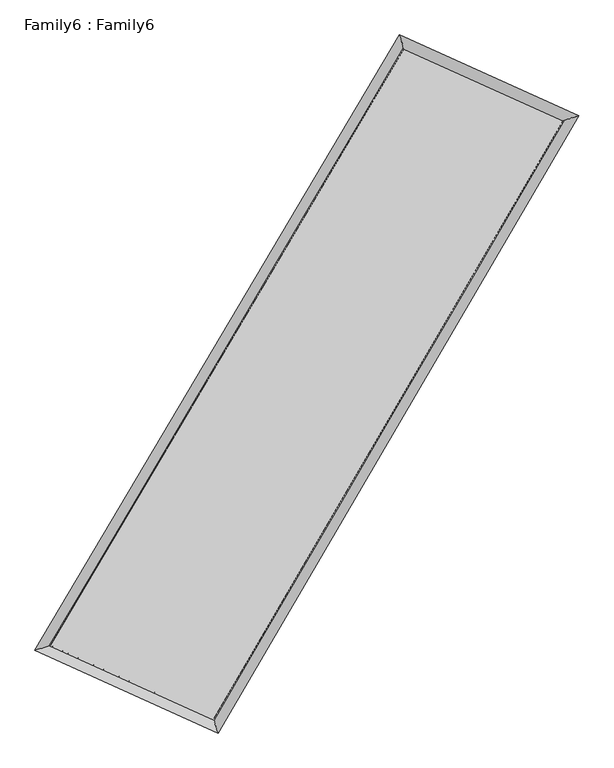
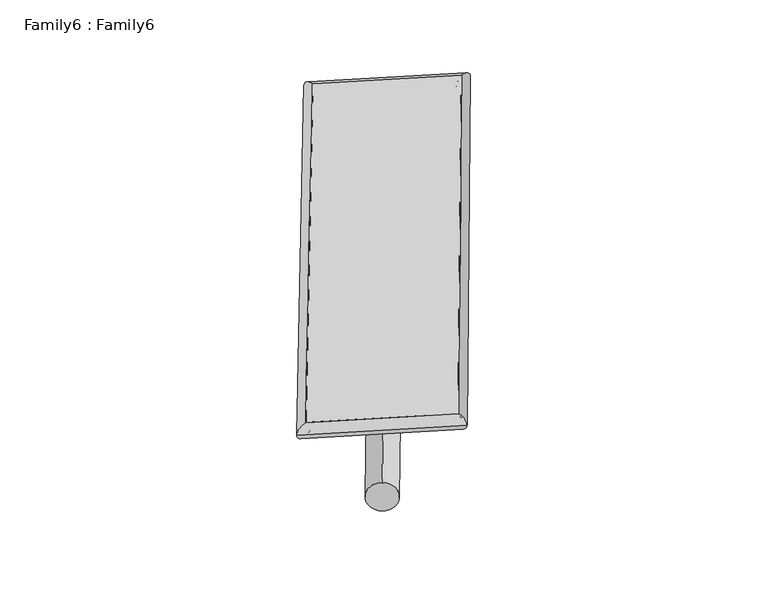
"""IFC4 building model written with IfcOpenShell, lengths in millimetres: plate geometry, Family6 : Family6."""

from ifc_helpers import new_model, si_unit, point, frame, origin, origin_2d, place, context, project, spatial, circle_curve, ellipse_curve, trimmed, segment, composite_curve, outline, extrude, source, transform, mapped, element, save
from ifc_brep_helpers import plane_surface, cylinder_surface, spline_surface, advanced_brep


def family6_family6_88c10a22(model_context):
    return source(origin(), model_context, "Body", "SolidModel", [
        extrude(outline(composite_curve([segment(trimmed(circle_curve(origin_2d(), 76.2), [point((-75.4341514, -10.7763074))], [point((75.4341514, 10.7763074))], False, "CARTESIAN"), True, "CONTINUOUS"), segment(trimmed(circle_curve(origin_2d(), 76.2), [point((75.4341514, 10.7763074))], [point((-75.4341514, -10.7763074))], False, "CARTESIAN"), True, "CONTINUOUS")], self_intersect=False)), frame((9144.0, 9144.0, 0.0), z_axis=(0.6731253029115444, 0.6902696300361469, 0.2653868203773555), x_axis=(-0.6814656216003084, 0.7183450071165033, -0.13994662313788184)), (0.0, 0.0, 1.0), 5731.8845052),
        extrude(outline(composite_curve([segment(trimmed(circle_curve(origin_2d(), 76.2), [point((-53.8815368, 53.8815367))], [point((53.8815368, -53.8815367))], False, "CARTESIAN"), True, "CONTINUOUS"), segment(trimmed(circle_curve(origin_2d(), 76.2), [point((53.8815368, -53.8815367))], [point((-53.8815368, 53.8815367))], False, "CARTESIAN"), True, "CONTINUOUS")], self_intersect=False)), frame((9144.0, 9144.0, 0.0), z_axis=(-0.6769883912751082, -0.6866598563724975, 0.2649244415399272), x_axis=(0.635841763285958, -0.3643801106060167, 0.6803913484577468)), (0.0, 0.0, 1.0), 5742.6435677),
        extrude(outline(composite_curve([segment(trimmed(circle_curve(origin_2d(), 76.2), [point((-53.8815367, -53.8815367))], [point((53.8815367, 53.8815367))], False, "CARTESIAN"), True, "CONTINUOUS"), segment(trimmed(circle_curve(origin_2d(), 76.2), [point((53.8815367, 53.8815367))], [point((-53.8815367, -53.8815367))], False, "CARTESIAN"), True, "CONTINUOUS")], self_intersect=False)), frame((9144.0, 9144.0, 0.0), z_axis=(0.2637204506830721, 0.9233776968673834, 0.27897159858918263), x_axis=(-0.8426937663865612, 0.36127772550400766, -0.3991811883692451)), (0.0, 0.0, 1.0), 5463.579652),
        extrude(outline(composite_curve([segment(trimmed(circle_curve(origin_2d(), 76.2), [point((-75.4341514, 10.7763073))], [point((75.4341514, -10.7763073))], False, "CARTESIAN"), True, "CONTINUOUS"), segment(trimmed(circle_curve(origin_2d(), 76.2), [point((75.4341514, -10.7763073))], [point((-75.4341514, 10.7763073))], False, "CARTESIAN"), True, "CONTINUOUS")], self_intersect=False)), frame((9144.0, 9144.0, 0.0), z_axis=(-0.2581176744592318, -0.9250490783721443, 0.27867448525942357), x_axis=(0.8827750268438614, -0.10862953058166737, 0.45706441238235385)), (0.0, 0.0, 1.0), 5470.0251264),
        advanced_brep(
        [(5038.3085744, 5131.9019014, 1521.5926743), (5474.2856889, 5269.6129198, 1521.650696), (5474.2853646, 5269.6124839, 1521.140606), (10646.4911001, 13994.0640589, 1523.8748593), (10523.2242762, 14383.8311325, 1524.4922398), (5038.3082501, 5131.9014655, 1521.0825843), (12785.1914108, 13031.1505332, 1521.2057549), (13219.3615769, 13169.9410605, 1521.1274523), (7669.7292554, 4279.2760536, 1524.3019392), (7794.4504149, 3888.6405427, 1524.4109337)],
        [
            (0, 1, ellipse_curve(frame((5256.2969695, 5200.7571926, 1521.3666401), z_axis=(-0.30119892340571297, 0.9535611254053002, -0.0006234220213611036), x_axis=(-0.9535607351905061, -0.3011994011499647, -0.0009192659268200819)), 228.6050753, 152.4)),
            (1, 2, ellipse_curve(frame((5256.2969695, 5200.7571926, 1521.3666401), z_axis=(-0.30119892340571297, 0.9535611254053002, -0.0006234220213611036), x_axis=(-0.9535607351905061, -0.3011994011499647, -0.0009192659268200819)), 228.6050753, 152.4)),
            (2, 3),
            (3, 4, ellipse_curve(frame((10584.8576882, 14188.9475957, 1524.1835495), z_axis=(-0.9534539672263335, -0.30153804612218676, 0.0005823411199293362), x_axis=(0.301537342690881, -0.9534537826119636, -0.001056118298696481)), 204.3975845, 152.4)),
            (4, 0),
            (2, 5, ellipse_curve(frame((5256.2969695, 5200.7571926, 1521.3666401), z_axis=(-0.30119892340571297, 0.9535611254053002, -0.0006234220213611036), x_axis=(-0.9535607351905061, -0.3011994011499647, -0.0009192659268200819)), 228.6050753, 152.4)),
            (5, 0, ellipse_curve(frame((5256.2969695, 5200.7571926, 1521.3666401), z_axis=(-0.30119892340571297, 0.9535611254053002, -0.0006234220213611036), x_axis=(-0.9535607351905061, -0.3011994011499647, -0.0009192659268200819)), 228.6050753, 152.4)),
            (4, 3, ellipse_curve(frame((10584.8576882, 14188.9475957, 1524.1835495), z_axis=(-0.9534539672263335, -0.30153804612218676, 0.0005823411199293362), x_axis=(0.301537342690881, -0.9534537826119636, -0.001056118298696481)), 204.3975845, 152.4)),
            (3, 6),
            (6, 7, ellipse_curve(frame((13002.2764938, 13100.5457968, 1521.1666036), z_axis=(-0.30448912698978065, 0.9525156082765958, 0.0006225226645086058), x_axis=(-0.9525151601599046, -0.304489618105488, 0.0009706345993250423)), 227.9071706, 152.4)),
            (7, 4),
            (7, 6, ellipse_curve(frame((13002.2764938, 13100.5457968, 1521.1666036), z_axis=(-0.30448912698978065, 0.9525156082765958, 0.0006225226645086058), x_axis=(-0.9525151601599046, -0.304489618105488, 0.0009706345993250423)), 227.9071706, 152.4)),
            (6, 8),
            (8, 9, ellipse_curve(frame((7732.0898351, 4083.9582982, 1524.3564364), z_axis=(0.9526235298750414, 0.30415148211924736, 0.0005350262434306905), x_axis=(-0.30415082194845217, 0.9526233110662182, -0.0010510572372273014)), 205.0314402, 152.4)),
            (9, 7),
            (9, 8, ellipse_curve(frame((7732.0898351, 4083.9582982, 1524.3564364), z_axis=(0.9526235298750414, 0.30415148211924736, 0.0005350262434306905), x_axis=(-0.30415082194845217, 0.9526233110662182, -0.0010510572372273014)), 205.0314402, 152.4)),
            (8, 1),
            (5, 9),
        ],
        [
            cylinder_surface(frame((5256.2969695, 5200.7571926, 1521.3666401), z_axis=(-0.5099600071642381, -0.8601980692932616, -0.0002695870827755536), x_axis=(-0.8601969761415182, 0.5099587998097788, 0.0017845821803030354)), 152.4),
            cylinder_surface(frame((10584.8576882, 14188.9475957, 1524.1835495), z_axis=(-0.9118413801125516, 0.41054110940829097, 0.0011379807762775945), x_axis=(0.4105422129084685, 0.9118410357311547, 0.0010084527520075202)), 152.4),
            cylinder_surface(frame((13002.2764938, 13100.5457968, 1521.1666036), z_axis=(0.50462169650031, 0.8633405180664906, -0.00030542729566955876), x_axis=(0.8633405681302507, -0.50462169650031, 8.271447897145712e-05)), 152.4),
            cylinder_surface(frame((7732.0898351, 4083.9582982, 1524.3564364), z_axis=(0.9115496557084636, -0.4111885375610149, 0.001100797990245841), x_axis=(-0.4111880690061964, -0.9115503118782273, -0.0006331047796200209)), 152.4),
        ],
        [
            (0, [[1, 2, 3, 4, 5]]),
            (0, [[6, 7, -5, 8, -3]]),
            (1, [[-4, 9, 10, 11]]),
            (1, [[-8, -11, 12, -9]]),
            (2, [[-10, 13, 14, 15]]),
            (2, [[-12, -15, 16, -13]]),
            (3, [[-14, 17, -1, -7, 18]]),
            (3, [[-16, -18, -6, -2, -17]]),
        ],
    ),
        extrude(outline(composite_curve([segment(trimmed(circle_curve(origin_2d(), 304.8), [point((0.0, -304.8))], [point((0.0, 304.8))], False, "CARTESIAN"), True, "CONTINUOUS"), segment(trimmed(circle_curve(origin_2d(), 304.8), [point((0.0, 304.8))], [point((0.0, -304.8))], False, "CARTESIAN"), True, "CONTINUOUS")], self_intersect=False)), frame((6484.3830428, 4616.626235, -8.6e-05), z_axis=(0.5065185901282727, 0.8622290402523373, 1.637493318429805e-08), x_axis=(-0.8622290402523374, 0.5065185901282727, 4.4539140410093835e-09)), (0.0, 0.0, 1.0), 10501.5571353),
        advanced_brep(
        [(5256.2969695, 5200.7571926, 1521.3666401), (7732.0898351, 4083.9582982, 1524.3564364), (7732.0898363, 4083.9614587, 1676.7564364), (5256.2969706, 5200.7603532, 1673.7666401), (13002.2764938, 13100.5457968, 1521.1666036), (13002.276495, 13100.5489574, 1673.5666036), (10584.8576882, 14188.9475957, 1524.1835495), (10584.8576893, 14188.9507562, 1676.5835495)],
        [
            (0, 1),
            (1, 2),
            (2, 3),
            (3, 0),
            (1, 4),
            (4, 5),
            (5, 2),
            (4, 6),
            (6, 7),
            (7, 5),
            (6, 0),
            (3, 7),
        ],
        [
            plane_surface(frame((6494.1934023, 4642.3577454, 1522.8615383), z_axis=(-0.4111888055901797, -0.9115501992758448, 1.8907388817203234e-05), x_axis=(0.9115496557084634, -0.4111885375610156, 0.00110079799024584))),
            plane_surface(frame((10367.1831645, 8592.2520475, 1522.76152), z_axis=(0.8633405598999114, -0.5046217172519712, 1.0458469849698184e-05), x_axis=(0.5046216965003103, 0.8633405180664905, -0.00030542729566955946))),
            plane_surface(frame((11793.567091, 13644.7466963, 1522.6750766), z_axis=(0.4105413555348376, 0.9118419792035792, -1.891343492129181e-05), x_axis=(-0.9118413801125514, 0.41054110940829114, 0.0011379807762775943))),
            plane_surface(frame((7920.5773288, 9694.8523942, 1522.7750948), z_axis=(-0.8601980990505699, 0.5099600281179675, -1.0569202822824521e-05), x_axis=(-0.5099600071642381, -0.8601980692932618, -0.0002695870827755537))),
            spline_surface(1, 1, [[(7732.0898363, 4083.9614587, 1676.7564364), (5256.2969706, 5200.7603532, 1673.7666401)], [(13002.276495, 13100.5489574, 1673.5666036), (10584.8576893, 14188.9507562, 1676.5835495)]], [2, 2], [2, 2], [0.0, 1.0], [0.0, 1.0]),
            spline_surface(1, 1, [[(10584.8576882, 14188.9475957, 1524.1835495), (5256.2969695, 5200.7571926, 1521.3666401)], [(13002.2764938, 13100.5457968, 1521.1666036), (7732.0898351, 4083.9582982, 1524.3564364)]], [2, 2], [2, 2], [0.0, 1.0], [0.0, 1.0]),
        ],
        [
            (0, [[1, 2, 3, 4]]),
            (1, [[5, 6, 7, -2]]),
            (2, [[8, 9, 10, -6]]),
            (3, [[11, -4, 12, -9]]),
            (4, [[-3, -7, -10, -12]]),
            (5, [[-11, -8, -5, -1]]),
        ],
    ),
    ])


if __name__ == "__main__":
    model = new_model("IFC4")
    model_context = context("Model", 3, world=origin())
    ifc_project = project(units=[si_unit("LENGTHUNIT", "METRE", prefix="MILLI")], contexts=[model_context])
    site = spatial("IfcSite", under=ifc_project)
    building = spatial("IfcBuilding", under=site)
    placement = place(None, origin())
    family6_family6_shape = family6_family6_88c10a22(model_context)
    element("IfcPlate", 1, ObjectType="Family6 : Family6", at=placement, inside=building, context=model_context, shape_type="MappedRepresentation", body=[
        mapped(family6_family6_shape, transform((0.0, 0.0, 0.0), x_axis=(1.0, 0.0, 0.0), y_axis=(0.0, 1.0, 0.0), z_axis=(0.0, 0.0, 1.0))),
    ])
    save(model, "model.ifc")
